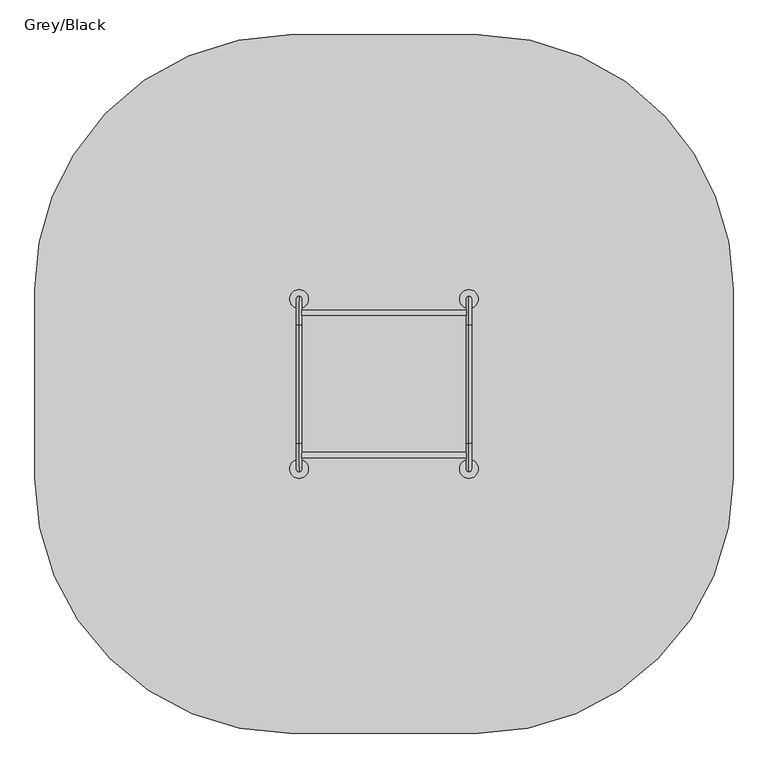
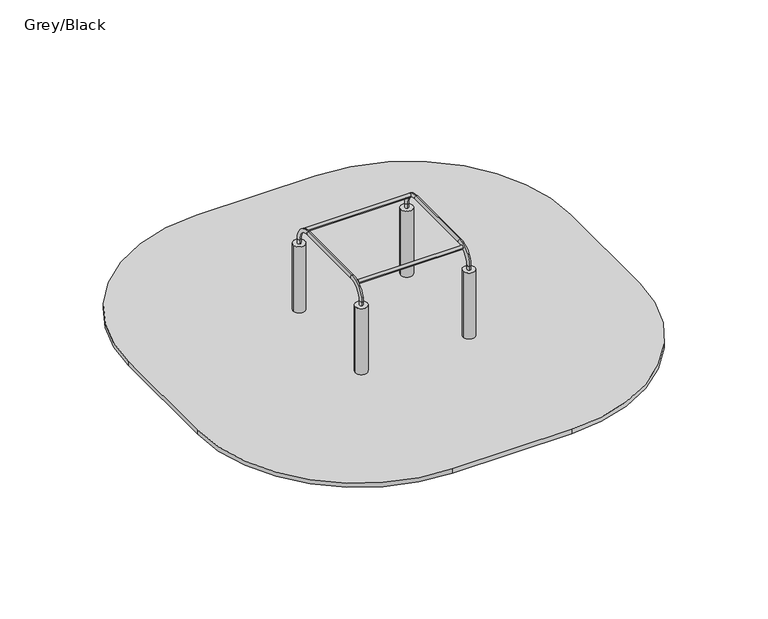
"""IFC4 building model written with IfcOpenShell, lengths in millimetres: furniture geometry, Grey/Black."""

from ifc_helpers import new_model, si_unit, point, frame, frame_2d, origin, place, context, project, spatial, polyline, circle_curve, ellipse_curve, trimmed, segment, composite_curve, outline, extrude, source, transform, mapped, element, save
from ifc_brep_helpers import plane_surface, cylinder_surface, revolved_surface, extruded_surface, advanced_brep


def grey_black_b4b6690a(model_context):
    return source(origin(), model_context, "Body", "SolidModel", [
        advanced_brep(
        [(-427.5, 1072.4599432, -224.0), (-440.0, 1072.4599432, -224.0), (-452.5, 1072.4599432, -224.0), (-512.5, 1012.4599432, -224.0), (-512.5, 987.4599432, -224.0), (-452.5, 927.4599432, -224.0), (-427.5, 927.4599432, -224.0), (-367.5, 987.4599432, -224.0), (-367.5, 1012.4599432, -224.0), (-350.0, 1150.0, -459.0), (-440.0, 1150.0, -459.0), (-530.0, 1150.0, -459.0), (-590.0, 1090.0, -459.0), (-590.0, 910.0, -459.0), (-530.0, 850.0, -459.0), (-350.0, 850.0, -459.0), (-290.0, 910.0, -459.0), (-290.0, 1090.0, -459.0), (-350.0, 1150.0, -599.0), (-290.0, 1090.0, -599.0), (-290.0, 910.0, -599.0), (-350.0, 850.0, -599.0), (-530.0, 850.0, -599.0), (-590.0, 910.0, -599.0), (-590.0, 1090.0, -599.0), (-530.0, 1150.0, -599.0), (-440.0, 1150.0, -599.0)],
        [
            (0, 1),
            (1, 2),
            (2, 3, circle_curve(frame((-452.5, 1012.4599432, -224.0), z_axis=(0.0, 0.0, 1.0), x_axis=(1.0, 0.0, 0.0)), 60.0)),
            (3, 4),
            (4, 5, circle_curve(frame((-452.5, 987.4599432, -224.0), z_axis=(0.0, 0.0, 1.0), x_axis=(1.0, 0.0, 0.0)), 60.0)),
            (5, 6),
            (6, 7, circle_curve(frame((-427.5, 987.4599432, -224.0), z_axis=(0.0, 0.0, 1.0), x_axis=(1.0, 0.0, 0.0)), 60.0)),
            (7, 8),
            (8, 0, circle_curve(frame((-427.5, 1012.4599432, -224.0), z_axis=(0.0, 0.0, 1.0), x_axis=(1.0, 0.0, 0.0)), 60.0)),
            (0, 9),
            (9, 10),
            (10, 1),
            (10, 11),
            (11, 2),
            (11, 12, circle_curve(frame((-530.0, 1090.0, -459.0), z_axis=(0.0, 0.0, 1.0), x_axis=(1.0, 0.0, 0.0)), 60.0)),
            (12, 3),
            (12, 13),
            (13, 4),
            (13, 14, circle_curve(frame((-530.0, 910.0, -459.0), z_axis=(0.0, 0.0, 1.0), x_axis=(1.0, 0.0, 0.0)), 60.0)),
            (14, 5),
            (14, 15),
            (15, 6),
            (15, 16, circle_curve(frame((-350.0, 910.0, -459.0), z_axis=(0.0, 0.0, 1.0), x_axis=(1.0, 0.0, 0.0)), 60.0)),
            (16, 7),
            (16, 17),
            (17, 8),
            (17, 9, circle_curve(frame((-350.0, 1090.0, -459.0), z_axis=(0.0, 0.0, 1.0), x_axis=(1.0, 0.0, 0.0)), 60.0)),
            (18, 19, circle_curve(frame((-350.0, 1090.0, -599.0), z_axis=(0.0, 0.0, -1.0), x_axis=(1.0, 0.0, 0.0)), 60.0)),
            (19, 20),
            (20, 21, circle_curve(frame((-350.0, 910.0, -599.0), z_axis=(0.0, 0.0, -1.0), x_axis=(1.0, 0.0, 0.0)), 60.0)),
            (21, 22),
            (22, 23, circle_curve(frame((-530.0, 910.0, -599.0), z_axis=(0.0, 0.0, -1.0), x_axis=(1.0, 0.0, 0.0)), 60.0)),
            (23, 24),
            (24, 25, circle_curve(frame((-530.0, 1090.0, -599.0), z_axis=(0.0, 0.0, -1.0), x_axis=(1.0, 0.0, 0.0)), 60.0)),
            (25, 26),
            (26, 18),
            (26, 10),
            (9, 18),
            (25, 11),
            (23, 13),
            (12, 24),
            (21, 15),
            (14, 22),
            (19, 17),
            (16, 20),
        ],
        [
            plane_surface(frame((-440.0, 1008.0154988, -224.0), z_axis=(0.0, 0.0, 1.0), x_axis=(-1.0, 0.0, 0.0))),
            plane_surface(frame((-433.75, 1072.4599432, -224.0), z_axis=(0.0, 0.9496406059136844, 0.3133412191204512), x_axis=(1.0, 0.0, 0.0))),
            plane_surface(frame((-446.25, 1072.4599432, -224.0), z_axis=(0.0, 0.9496406059136843, 0.3133412191204512), x_axis=(1.0, 0.0, 0.0))),
            extruded_surface(trimmed(circle_curve(frame((-452.5, 1012.4599432, -224.0), z_axis=(0.0, 0.0, -1.0), x_axis=(1.0, 0.0, 0.0)), 60.0), [point((-512.5, 1012.4599432, -224.0))], [point((-452.5, 1072.4599432, -224.0))], True, "CARTESIAN"), (-77.5, 77.5400568, -235.0), 259.3139225119763),
            plane_surface(frame((-512.5, 999.9599432, -224.0), z_axis=(-0.9496887635303409, 0.0, 0.31319523052596476), x_axis=(0.0, 1.0, 0.0))),
            extruded_surface(trimmed(circle_curve(frame((-452.5, 987.4599432, -224.0), z_axis=(0.0, 0.0, -1.0), x_axis=(1.0, 0.0, 0.0)), 60.0), [point((-452.5, 927.4599432, -224.0))], [point((-512.5, 987.4599432, -224.0))], True, "CARTESIAN"), (-77.5, -77.4599432, -235.0), 259.2899782107809),
            plane_surface(frame((-440.0, 927.4599432, -224.0), z_axis=(0.0, -0.9497369035840961, 0.3130492197250991), x_axis=(-1.0, 0.0, 0.0))),
            extruded_surface(trimmed(circle_curve(frame((-427.5, 987.4599432, -224.0), z_axis=(0.0, 0.0, -1.0), x_axis=(1.0, 0.0, 0.0)), 60.0), [point((-367.5, 987.4599432, -224.0))], [point((-427.5, 927.4599432, -224.0))], True, "CARTESIAN"), (77.5, -77.4599432, -235.0), 259.2899782107809),
            plane_surface(frame((-367.5, 999.9599432, -224.0), z_axis=(0.9496887635303416, 0.0, 0.3131952305259627), x_axis=(0.0, -1.0, 0.0))),
            extruded_surface(trimmed(circle_curve(frame((-427.5, 1012.4599432, -224.0), z_axis=(0.0, 0.0, -1.0), x_axis=(1.0, 0.0, 0.0)), 60.0), [point((-427.5, 1072.4599432, -224.0))], [point((-367.5, 1012.4599432, -224.0))], True, "CARTESIAN"), (77.5, 77.5400568, -235.0), 259.3139225119763),
            plane_surface(frame((-440.0, 1150.0, -599.0), z_axis=(0.0, 0.0, -1.0), x_axis=(1.0, 0.0, 0.0))),
            plane_surface(frame((-350.0, 1150.0, -459.0), z_axis=(0.0, 1.0, 0.0), x_axis=(0.0, 0.0, -1.0))),
            plane_surface(frame((-440.0, 1150.0, -459.0), z_axis=(0.0, 1.0, 0.0), x_axis=(0.0, 0.0, -1.0))),
            plane_surface(frame((-590.0, 1090.0, -459.0), z_axis=(-1.0, 0.0, 0.0), x_axis=(0.0, 0.0, -1.0))),
            plane_surface(frame((-530.0, 850.0, -459.0), z_axis=(0.0, -1.0, 0.0), x_axis=(0.0, 0.0, -1.0))),
            plane_surface(frame((-290.0, 910.0, -459.0), z_axis=(1.0, 0.0, 0.0), x_axis=(0.0, 0.0, -1.0))),
            cylinder_surface(frame((-530.0, 1090.0, -599.0), z_axis=(0.0, 0.0, 1.0), x_axis=(1.0, 0.0, 0.0)), 60.0),
            cylinder_surface(frame((-530.0, 910.0, -599.0), z_axis=(0.0, 0.0, 1.0), x_axis=(1.0, 0.0, 0.0)), 60.0),
            cylinder_surface(frame((-350.0, 910.0, -599.0), z_axis=(0.0, 0.0, 1.0), x_axis=(1.0, 0.0, 0.0)), 60.0),
            cylinder_surface(frame((-350.0, 1090.0, -599.0), z_axis=(0.0, 0.0, 1.0), x_axis=(1.0, 0.0, 0.0)), 60.0),
        ],
        [
            (0, [[1, 2, 3, 4, 5, 6, 7, 8, 9]]),
            (1, [[-1, 10, 11, 12]]),
            (2, [[-2, -12, 13, 14]]),
            (3, [[-3, -14, 15, 16]]),
            (4, [[-4, -16, 17, 18]]),
            (5, [[-5, -18, 19, 20]]),
            (6, [[-6, -20, 21, 22]]),
            (7, [[-7, -22, 23, 24]]),
            (8, [[-8, -24, 25, 26]]),
            (9, [[-9, -26, 27, -10]]),
            (10, [[28, 29, 30, 31, 32, 33, 34, 35, 36]]),
            (11, [[-36, 37, -11, 38]]),
            (12, [[-35, 39, -13, -37]]),
            (13, [[-33, 40, -17, 41]]),
            (14, [[-31, 42, -21, 43]]),
            (15, [[-29, 44, -25, 45]]),
            (16, [[-34, -41, -15, -39]]),
            (17, [[-32, -43, -19, -40]]),
            (18, [[-30, -45, -23, -42]]),
            (19, [[-28, -38, -27, -44]]),
        ],
    ),
        extrude(outline(composite_curve([segment(trimmed(circle_curve(frame_2d((-440.0, 1000.0)), 55.0), [point((-495.0, 1000.0))], [point((-385.0, 1000.0))], False, "CARTESIAN"), True, "CONTINUOUS"), segment(trimmed(circle_curve(frame_2d((-440.0, 1000.0)), 55.0), [point((-385.0, 1000.0))], [point((-495.0, 1000.0))], False, "CARTESIAN"), True, "CONTINUOUS")], self_intersect=False)), frame((0.0, 0.0, -599.0), z_axis=(0.0, 0.0, 1.0), x_axis=(1.0, 0.0, 0.0)), (0.0, 0.0, 1.0), 500.0),
        advanced_brep(
        [(572.5, 1072.4599432, -224.0), (560.0, 1072.4599432, -224.0), (547.5, 1072.4599432, -224.0), (487.5, 1012.4599432, -224.0), (487.5, 987.4599432, -224.0), (547.5, 927.4599432, -224.0), (572.5, 927.4599432, -224.0), (632.5, 987.4599432, -224.0), (632.5, 1012.4599432, -224.0), (650.0, 1150.0, -459.0), (560.0, 1150.0, -459.0), (470.0, 1150.0, -459.0), (410.0, 1090.0, -459.0), (410.0, 910.0, -459.0), (470.0, 850.0, -459.0), (650.0, 850.0, -459.0), (710.0, 910.0, -459.0), (710.0, 1090.0, -459.0), (650.0, 1150.0, -599.0), (710.0, 1090.0, -599.0), (710.0, 910.0, -599.0), (650.0, 850.0, -599.0), (470.0, 850.0, -599.0), (410.0, 910.0, -599.0), (410.0, 1090.0, -599.0), (470.0, 1150.0, -599.0), (560.0, 1150.0, -599.0)],
        [
            (0, 1),
            (1, 2),
            (2, 3, circle_curve(frame((547.5, 1012.4599432, -224.0), z_axis=(0.0, 0.0, 1.0), x_axis=(1.0, 0.0, 0.0)), 60.0)),
            (3, 4),
            (4, 5, circle_curve(frame((547.5, 987.4599432, -224.0), z_axis=(0.0, 0.0, 1.0), x_axis=(1.0, 0.0, 0.0)), 60.0)),
            (5, 6),
            (6, 7, circle_curve(frame((572.5, 987.4599432, -224.0), z_axis=(0.0, 0.0, 1.0), x_axis=(1.0, 0.0, 0.0)), 60.0)),
            (7, 8),
            (8, 0, circle_curve(frame((572.5, 1012.4599432, -224.0), z_axis=(0.0, 0.0, 1.0), x_axis=(1.0, 0.0, 0.0)), 60.0)),
            (0, 9),
            (9, 10),
            (10, 1),
            (10, 11),
            (11, 2),
            (11, 12, circle_curve(frame((470.0, 1090.0, -459.0), z_axis=(0.0, 0.0, 1.0), x_axis=(1.0, 0.0, 0.0)), 60.0)),
            (12, 3),
            (12, 13),
            (13, 4),
            (13, 14, circle_curve(frame((470.0, 910.0, -459.0), z_axis=(0.0, 0.0, 1.0), x_axis=(1.0, 0.0, 0.0)), 60.0)),
            (14, 5),
            (14, 15),
            (15, 6),
            (15, 16, circle_curve(frame((650.0, 910.0, -459.0), z_axis=(0.0, 0.0, 1.0), x_axis=(1.0, 0.0, 0.0)), 60.0)),
            (16, 7),
            (16, 17),
            (17, 8),
            (17, 9, circle_curve(frame((650.0, 1090.0, -459.0), z_axis=(0.0, 0.0, 1.0), x_axis=(1.0, 0.0, 0.0)), 60.0)),
            (18, 19, circle_curve(frame((650.0, 1090.0, -599.0), z_axis=(0.0, 0.0, -1.0), x_axis=(1.0, 0.0, 0.0)), 60.0)),
            (19, 20),
            (20, 21, circle_curve(frame((650.0, 910.0, -599.0), z_axis=(0.0, 0.0, -1.0), x_axis=(1.0, 0.0, 0.0)), 60.0)),
            (21, 22),
            (22, 23, circle_curve(frame((470.0, 910.0, -599.0), z_axis=(0.0, 0.0, -1.0), x_axis=(1.0, 0.0, 0.0)), 60.0)),
            (23, 24),
            (24, 25, circle_curve(frame((470.0, 1090.0, -599.0), z_axis=(0.0, 0.0, -1.0), x_axis=(1.0, 0.0, 0.0)), 60.0)),
            (25, 26),
            (26, 18),
            (26, 10),
            (9, 18),
            (25, 11),
            (23, 13),
            (12, 24),
            (21, 15),
            (14, 22),
            (19, 17),
            (16, 20),
        ],
        [
            plane_surface(frame((560.0, 1008.0154988, -224.0), z_axis=(0.0, 0.0, 1.0), x_axis=(-1.0, 0.0, 0.0))),
            plane_surface(frame((566.25, 1072.4599432, -224.0), z_axis=(0.0, 0.9496406059136844, 0.3133412191204512), x_axis=(1.0, 0.0, 0.0))),
            plane_surface(frame((553.75, 1072.4599432, -224.0), z_axis=(0.0, 0.9496406059136843, 0.3133412191204512), x_axis=(1.0, 0.0, 0.0))),
            extruded_surface(trimmed(circle_curve(frame((547.5, 1012.4599432, -224.0), z_axis=(0.0, 0.0, -1.0), x_axis=(1.0, 0.0, 0.0)), 60.0), [point((487.5, 1012.4599432, -224.0))], [point((547.5, 1072.4599432, -224.0))], True, "CARTESIAN"), (-77.5, 77.5400568, -235.0), 259.3139225119763),
            plane_surface(frame((487.5, 999.9599432, -224.0), z_axis=(-0.9496887635303409, 0.0, 0.31319523052596476), x_axis=(0.0, 1.0, 0.0))),
            extruded_surface(trimmed(circle_curve(frame((547.5, 987.4599432, -224.0), z_axis=(0.0, 0.0, -1.0), x_axis=(1.0, 0.0, 0.0)), 60.0), [point((547.5, 927.4599432, -224.0))], [point((487.5, 987.4599432, -224.0))], True, "CARTESIAN"), (-77.5, -77.4599432, -235.0), 259.2899782107809),
            plane_surface(frame((560.0, 927.4599432, -224.0), z_axis=(0.0, -0.9497369035840961, 0.3130492197250991), x_axis=(-1.0, 0.0, 0.0))),
            extruded_surface(trimmed(circle_curve(frame((572.5, 987.4599432, -224.0), z_axis=(0.0, 0.0, -1.0), x_axis=(1.0, 0.0, 0.0)), 60.0), [point((632.5, 987.4599432, -224.0))], [point((572.5, 927.4599432, -224.0))], True, "CARTESIAN"), (77.5, -77.4599432, -235.0), 259.2899782107809),
            plane_surface(frame((632.5, 999.9599432, -224.0), z_axis=(0.9496887635303416, 0.0, 0.3131952305259627), x_axis=(0.0, -1.0, 0.0))),
            extruded_surface(trimmed(circle_curve(frame((572.5, 1012.4599432, -224.0), z_axis=(0.0, 0.0, -1.0), x_axis=(1.0, 0.0, 0.0)), 60.0), [point((572.5, 1072.4599432, -224.0))], [point((632.5, 1012.4599432, -224.0))], True, "CARTESIAN"), (77.5, 77.5400568, -235.0), 259.3139225119763),
            plane_surface(frame((560.0, 1150.0, -599.0), z_axis=(0.0, 0.0, -1.0), x_axis=(1.0, 0.0, 0.0))),
            plane_surface(frame((650.0, 1150.0, -459.0), z_axis=(0.0, 1.0, 0.0), x_axis=(0.0, 0.0, -1.0))),
            plane_surface(frame((560.0, 1150.0, -459.0), z_axis=(0.0, 1.0, 0.0), x_axis=(0.0, 0.0, -1.0))),
            plane_surface(frame((410.0, 1090.0, -459.0), z_axis=(-1.0, 0.0, 0.0), x_axis=(0.0, 0.0, -1.0))),
            plane_surface(frame((470.0, 850.0, -459.0), z_axis=(0.0, -1.0, 0.0), x_axis=(0.0, 0.0, -1.0))),
            plane_surface(frame((710.0, 910.0, -459.0), z_axis=(1.0, 0.0, 0.0), x_axis=(0.0, 0.0, -1.0))),
            cylinder_surface(frame((470.0, 1090.0, -599.0), z_axis=(0.0, 0.0, 1.0), x_axis=(1.0, 0.0, 0.0)), 60.0),
            cylinder_surface(frame((470.0, 910.0, -599.0), z_axis=(0.0, 0.0, 1.0), x_axis=(1.0, 0.0, 0.0)), 60.0),
            cylinder_surface(frame((650.0, 910.0, -599.0), z_axis=(0.0, 0.0, 1.0), x_axis=(1.0, 0.0, 0.0)), 60.0),
            cylinder_surface(frame((650.0, 1090.0, -599.0), z_axis=(0.0, 0.0, 1.0), x_axis=(1.0, 0.0, 0.0)), 60.0),
        ],
        [
            (0, [[1, 2, 3, 4, 5, 6, 7, 8, 9]]),
            (1, [[-1, 10, 11, 12]]),
            (2, [[-2, -12, 13, 14]]),
            (3, [[-3, -14, 15, 16]]),
            (4, [[-4, -16, 17, 18]]),
            (5, [[-5, -18, 19, 20]]),
            (6, [[-6, -20, 21, 22]]),
            (7, [[-7, -22, 23, 24]]),
            (8, [[-8, -24, 25, 26]]),
            (9, [[-9, -26, 27, -10]]),
            (10, [[28, 29, 30, 31, 32, 33, 34, 35, 36]]),
            (11, [[-36, 37, -11, 38]]),
            (12, [[-35, 39, -13, -37]]),
            (13, [[-33, 40, -17, 41]]),
            (14, [[-31, 42, -21, 43]]),
            (15, [[-29, 44, -25, 45]]),
            (16, [[-34, -41, -15, -39]]),
            (17, [[-32, -43, -19, -40]]),
            (18, [[-30, -45, -23, -42]]),
            (19, [[-28, -38, -27, -44]]),
        ],
    ),
        extrude(outline(composite_curve([segment(trimmed(circle_curve(frame_2d((560.0, 1000.0)), 55.0), [point((505.0, 1000.0))], [point((615.0, 1000.0))], False, "CARTESIAN"), True, "CONTINUOUS"), segment(trimmed(circle_curve(frame_2d((560.0, 1000.0)), 55.0), [point((615.0, 1000.0))], [point((505.0, 1000.0))], False, "CARTESIAN"), True, "CONTINUOUS")], self_intersect=False)), frame((0.0, 0.0, -599.0), z_axis=(0.0, 0.0, 1.0), x_axis=(1.0, 0.0, 0.0)), (0.0, 0.0, 1.0), 500.0),
        advanced_brep(
        [(-427.5, 72.4599432, -224.0), (-440.0, 72.4599432, -224.0), (-452.5, 72.4599432, -224.0), (-512.5, 12.4599432, -224.0), (-512.5, -12.5400568, -224.0), (-452.5, -72.5400568, -224.0), (-427.5, -72.5400568, -224.0), (-367.5, -12.5400568, -224.0), (-367.5, 12.4599432, -224.0), (-350.0, 150.0, -459.0), (-440.0, 150.0, -459.0), (-530.0, 150.0, -459.0), (-590.0, 90.0, -459.0), (-590.0, -90.0, -459.0), (-530.0, -150.0, -459.0), (-350.0, -150.0, -459.0), (-290.0, -90.0, -459.0), (-290.0, 90.0, -459.0), (-350.0, 150.0, -599.0), (-290.0, 90.0, -599.0), (-290.0, -90.0, -599.0), (-350.0, -150.0, -599.0), (-530.0, -150.0, -599.0), (-590.0, -90.0, -599.0), (-590.0, 90.0, -599.0), (-530.0, 150.0, -599.0), (-440.0, 150.0, -599.0)],
        [
            (0, 1),
            (1, 2),
            (2, 3, circle_curve(frame((-452.5, 12.4599432, -224.0), z_axis=(0.0, 0.0, 1.0), x_axis=(1.0, 0.0, 0.0)), 60.0)),
            (3, 4),
            (4, 5, circle_curve(frame((-452.5, -12.5400568, -224.0), z_axis=(0.0, 0.0, 1.0), x_axis=(1.0, 0.0, 0.0)), 60.0)),
            (5, 6),
            (6, 7, circle_curve(frame((-427.5, -12.5400568, -224.0), z_axis=(0.0, 0.0, 1.0), x_axis=(1.0, 0.0, 0.0)), 60.0)),
            (7, 8),
            (8, 0, circle_curve(frame((-427.5, 12.4599432, -224.0), z_axis=(0.0, 0.0, 1.0), x_axis=(1.0, 0.0, 0.0)), 60.0)),
            (0, 9),
            (9, 10),
            (10, 1),
            (10, 11),
            (11, 2),
            (11, 12, circle_curve(frame((-530.0, 90.0, -459.0), z_axis=(0.0, 0.0, 1.0), x_axis=(1.0, 0.0, 0.0)), 60.0)),
            (12, 3),
            (12, 13),
            (13, 4),
            (13, 14, circle_curve(frame((-530.0, -90.0, -459.0), z_axis=(0.0, 0.0, 1.0), x_axis=(1.0, 0.0, 0.0)), 60.0)),
            (14, 5),
            (14, 15),
            (15, 6),
            (15, 16, circle_curve(frame((-350.0, -90.0, -459.0), z_axis=(0.0, 0.0, 1.0), x_axis=(1.0, 0.0, 0.0)), 60.0)),
            (16, 7),
            (16, 17),
            (17, 8),
            (17, 9, circle_curve(frame((-350.0, 90.0, -459.0), z_axis=(0.0, 0.0, 1.0), x_axis=(1.0, 0.0, 0.0)), 60.0)),
            (18, 19, circle_curve(frame((-350.0, 90.0, -599.0), z_axis=(0.0, 0.0, -1.0), x_axis=(1.0, 0.0, 0.0)), 60.0)),
            (19, 20),
            (20, 21, circle_curve(frame((-350.0, -90.0, -599.0), z_axis=(0.0, 0.0, -1.0), x_axis=(1.0, 0.0, 0.0)), 60.0)),
            (21, 22),
            (22, 23, circle_curve(frame((-530.0, -90.0, -599.0), z_axis=(0.0, 0.0, -1.0), x_axis=(1.0, 0.0, 0.0)), 60.0)),
            (23, 24),
            (24, 25, circle_curve(frame((-530.0, 90.0, -599.0), z_axis=(0.0, 0.0, -1.0), x_axis=(1.0, 0.0, 0.0)), 60.0)),
            (25, 26),
            (26, 18),
            (26, 10),
            (9, 18),
            (25, 11),
            (23, 13),
            (12, 24),
            (21, 15),
            (14, 22),
            (19, 17),
            (16, 20),
        ],
        [
            plane_surface(frame((-440.0, 8.0154988, -224.0), z_axis=(0.0, 0.0, 1.0), x_axis=(-1.0, 0.0, 0.0))),
            plane_surface(frame((-433.75, 72.4599432, -224.0), z_axis=(0.0, 0.9496406059136844, 0.3133412191204512), x_axis=(1.0, 0.0, 0.0))),
            plane_surface(frame((-446.25, 72.4599432, -224.0), z_axis=(0.0, 0.9496406059136843, 0.3133412191204512), x_axis=(1.0, 0.0, 0.0))),
            extruded_surface(trimmed(circle_curve(frame((-452.5, 12.4599432, -224.0), z_axis=(0.0, 0.0, -1.0), x_axis=(1.0, 0.0, 0.0)), 60.0), [point((-512.5, 12.4599432, -224.0))], [point((-452.5, 72.4599432, -224.0))], True, "CARTESIAN"), (-77.5, 77.5400568, -235.0), 259.3139225119763),
            plane_surface(frame((-512.5, -0.0400568, -224.0), z_axis=(-0.9496887635303409, 0.0, 0.31319523052596476), x_axis=(0.0, 1.0, 0.0))),
            extruded_surface(trimmed(circle_curve(frame((-452.5, -12.5400568, -224.0), z_axis=(0.0, 0.0, -1.0), x_axis=(1.0, 0.0, 0.0)), 60.0), [point((-452.5, -72.5400568, -224.0))], [point((-512.5, -12.5400568, -224.0))], True, "CARTESIAN"), (-77.5, -77.4599432, -235.0), 259.2899782107809),
            plane_surface(frame((-440.0, -72.5400568, -224.0), z_axis=(0.0, -0.9497369035840961, 0.3130492197250991), x_axis=(-1.0, 0.0, 0.0))),
            extruded_surface(trimmed(circle_curve(frame((-427.5, -12.5400568, -224.0), z_axis=(0.0, 0.0, -1.0), x_axis=(1.0, 0.0, 0.0)), 60.0), [point((-367.5, -12.5400568, -224.0))], [point((-427.5, -72.5400568, -224.0))], True, "CARTESIAN"), (77.5, -77.4599432, -235.0), 259.2899782107809),
            plane_surface(frame((-367.5, -0.0400568, -224.0), z_axis=(0.9496887635303416, 0.0, 0.3131952305259627), x_axis=(0.0, -1.0, 0.0))),
            extruded_surface(trimmed(circle_curve(frame((-427.5, 12.4599432, -224.0), z_axis=(0.0, 0.0, -1.0), x_axis=(1.0, 0.0, 0.0)), 60.0), [point((-427.5, 72.4599432, -224.0))], [point((-367.5, 12.4599432, -224.0))], True, "CARTESIAN"), (77.5, 77.5400568, -235.0), 259.3139225119763),
            plane_surface(frame((-440.0, 150.0, -599.0), z_axis=(0.0, 0.0, -1.0), x_axis=(1.0, 0.0, 0.0))),
            plane_surface(frame((-350.0, 150.0, -459.0), z_axis=(0.0, 1.0, 0.0), x_axis=(0.0, 0.0, -1.0))),
            plane_surface(frame((-440.0, 150.0, -459.0), z_axis=(0.0, 1.0, 0.0), x_axis=(0.0, 0.0, -1.0))),
            plane_surface(frame((-590.0, 90.0, -459.0), z_axis=(-1.0, 0.0, 0.0), x_axis=(0.0, 0.0, -1.0))),
            plane_surface(frame((-530.0, -150.0, -459.0), z_axis=(0.0, -1.0, 0.0), x_axis=(0.0, 0.0, -1.0))),
            plane_surface(frame((-290.0, -90.0, -459.0), z_axis=(1.0, 0.0, 0.0), x_axis=(0.0, 0.0, -1.0))),
            cylinder_surface(frame((-530.0, 90.0, -599.0), z_axis=(0.0, 0.0, 1.0), x_axis=(1.0, 0.0, 0.0)), 60.0),
            cylinder_surface(frame((-530.0, -90.0, -599.0), z_axis=(0.0, 0.0, 1.0), x_axis=(1.0, 0.0, 0.0)), 60.0),
            cylinder_surface(frame((-350.0, -90.0, -599.0), z_axis=(0.0, 0.0, 1.0), x_axis=(1.0, 0.0, 0.0)), 60.0),
            cylinder_surface(frame((-350.0, 90.0, -599.0), z_axis=(0.0, 0.0, 1.0), x_axis=(1.0, 0.0, 0.0)), 60.0),
        ],
        [
            (0, [[1, 2, 3, 4, 5, 6, 7, 8, 9]]),
            (1, [[-1, 10, 11, 12]]),
            (2, [[-2, -12, 13, 14]]),
            (3, [[-3, -14, 15, 16]]),
            (4, [[-4, -16, 17, 18]]),
            (5, [[-5, -18, 19, 20]]),
            (6, [[-6, -20, 21, 22]]),
            (7, [[-7, -22, 23, 24]]),
            (8, [[-8, -24, 25, 26]]),
            (9, [[-9, -26, 27, -10]]),
            (10, [[28, 29, 30, 31, 32, 33, 34, 35, 36]]),
            (11, [[-36, 37, -11, 38]]),
            (12, [[-35, 39, -13, -37]]),
            (13, [[-33, 40, -17, 41]]),
            (14, [[-31, 42, -21, 43]]),
            (15, [[-29, 44, -25, 45]]),
            (16, [[-34, -41, -15, -39]]),
            (17, [[-32, -43, -19, -40]]),
            (18, [[-30, -45, -23, -42]]),
            (19, [[-28, -38, -27, -44]]),
        ],
    ),
        extrude(outline(composite_curve([segment(trimmed(circle_curve(frame_2d((-440.0, 0.0)), 55.0), [point((-495.0, 0.0))], [point((-385.0, 0.0))], False, "CARTESIAN"), True, "CONTINUOUS"), segment(trimmed(circle_curve(frame_2d((-440.0, 0.0)), 55.0), [point((-385.0, 0.0))], [point((-495.0, 0.0))], False, "CARTESIAN"), True, "CONTINUOUS")], self_intersect=False)), frame((0.0, 0.0, -599.0), z_axis=(0.0, 0.0, 1.0), x_axis=(1.0, 0.0, 0.0)), (0.0, 0.0, 1.0), 500.0),
        advanced_brep(
        [(572.5, 72.4599432, -225.0), (560.0, 72.4599432, -225.0), (547.5, 72.4599432, -225.0), (487.5, 12.4599432, -225.0), (487.5, -12.5400568, -225.0), (547.5, -72.5400568, -225.0), (572.5, -72.5400568, -225.0), (632.5, -12.5400568, -225.0), (632.5, 12.4599432, -225.0), (650.0, 150.0, -460.0), (560.0, 150.0, -460.0), (470.0, 150.0, -460.0), (410.0, 90.0, -460.0), (410.0, -90.0, -460.0), (470.0, -150.0, -460.0), (650.0, -150.0, -460.0), (710.0, -90.0, -460.0), (710.0, 90.0, -460.0), (650.0, 150.0, -600.0), (710.0, 90.0, -600.0), (710.0, -90.0, -600.0), (650.0, -150.0, -600.0), (470.0, -150.0, -600.0), (410.0, -90.0, -600.0), (410.0, 90.0, -600.0), (470.0, 150.0, -600.0), (560.0, 150.0, -600.0)],
        [
            (0, 1),
            (1, 2),
            (2, 3, circle_curve(frame((547.5, 12.4599432, -225.0), z_axis=(0.0, 0.0, 1.0), x_axis=(1.0, 0.0, 0.0)), 60.0)),
            (3, 4),
            (4, 5, circle_curve(frame((547.5, -12.5400568, -225.0), z_axis=(0.0, 0.0, 1.0), x_axis=(1.0, 0.0, 0.0)), 60.0)),
            (5, 6),
            (6, 7, circle_curve(frame((572.5, -12.5400568, -225.0), z_axis=(0.0, 0.0, 1.0), x_axis=(1.0, 0.0, 0.0)), 60.0)),
            (7, 8),
            (8, 0, circle_curve(frame((572.5, 12.4599432, -225.0), z_axis=(0.0, 0.0, 1.0), x_axis=(1.0, 0.0, 0.0)), 60.0)),
            (0, 9),
            (9, 10),
            (10, 1),
            (10, 11),
            (11, 2),
            (11, 12, circle_curve(frame((470.0, 90.0, -460.0), z_axis=(0.0, 0.0, 1.0), x_axis=(1.0, 0.0, 0.0)), 60.0)),
            (12, 3),
            (12, 13),
            (13, 4),
            (13, 14, circle_curve(frame((470.0, -90.0, -460.0), z_axis=(0.0, 0.0, 1.0), x_axis=(1.0, 0.0, 0.0)), 60.0)),
            (14, 5),
            (14, 15),
            (15, 6),
            (15, 16, circle_curve(frame((650.0, -90.0, -460.0), z_axis=(0.0, 0.0, 1.0), x_axis=(1.0, 0.0, 0.0)), 60.0)),
            (16, 7),
            (16, 17),
            (17, 8),
            (17, 9, circle_curve(frame((650.0, 90.0, -460.0), z_axis=(0.0, 0.0, 1.0), x_axis=(1.0, 0.0, 0.0)), 60.0)),
            (18, 19, circle_curve(frame((650.0, 90.0, -600.0), z_axis=(0.0, 0.0, -1.0), x_axis=(1.0, 0.0, 0.0)), 60.0)),
            (19, 20),
            (20, 21, circle_curve(frame((650.0, -90.0, -600.0), z_axis=(0.0, 0.0, -1.0), x_axis=(1.0, 0.0, 0.0)), 60.0)),
            (21, 22),
            (22, 23, circle_curve(frame((470.0, -90.0, -600.0), z_axis=(0.0, 0.0, -1.0), x_axis=(1.0, 0.0, 0.0)), 60.0)),
            (23, 24),
            (24, 25, circle_curve(frame((470.0, 90.0, -600.0), z_axis=(0.0, 0.0, -1.0), x_axis=(1.0, 0.0, 0.0)), 60.0)),
            (25, 26),
            (26, 18),
            (26, 10),
            (9, 18),
            (25, 11),
            (23, 13),
            (12, 24),
            (21, 15),
            (14, 22),
            (19, 17),
            (16, 20),
        ],
        [
            plane_surface(frame((560.0, 8.0154988, -225.0), z_axis=(0.0, 0.0, 1.0), x_axis=(-1.0, 0.0, 0.0))),
            plane_surface(frame((566.25, 72.4599432, -225.0), z_axis=(0.0, 0.9496406059136844, 0.3133412191204512), x_axis=(1.0, 0.0, 0.0))),
            plane_surface(frame((553.75, 72.4599432, -225.0), z_axis=(0.0, 0.9496406059136843, 0.3133412191204512), x_axis=(1.0, 0.0, 0.0))),
            extruded_surface(trimmed(circle_curve(frame((547.5, 12.4599432, -225.0), z_axis=(0.0, 0.0, -1.0), x_axis=(1.0, 0.0, 0.0)), 60.0), [point((487.5, 12.4599432, -225.0))], [point((547.5, 72.4599432, -225.0))], True, "CARTESIAN"), (-77.5, 77.5400568, -235.0), 259.3139225119763),
            plane_surface(frame((487.5, -0.0400568, -225.0), z_axis=(-0.9496887635303409, 0.0, 0.31319523052596476), x_axis=(0.0, 1.0, 0.0))),
            extruded_surface(trimmed(circle_curve(frame((547.5, -12.5400568, -225.0), z_axis=(0.0, 0.0, -1.0), x_axis=(1.0, 0.0, 0.0)), 60.0), [point((547.5, -72.5400568, -225.0))], [point((487.5, -12.5400568, -225.0))], True, "CARTESIAN"), (-77.5, -77.4599432, -235.0), 259.2899782107809),
            plane_surface(frame((560.0, -72.5400568, -225.0), z_axis=(0.0, -0.9497369035840961, 0.3130492197250991), x_axis=(-1.0, 0.0, 0.0))),
            extruded_surface(trimmed(circle_curve(frame((572.5, -12.5400568, -225.0), z_axis=(0.0, 0.0, -1.0), x_axis=(1.0, 0.0, 0.0)), 60.0), [point((632.5, -12.5400568, -225.0))], [point((572.5, -72.5400568, -225.0))], True, "CARTESIAN"), (77.5, -77.4599432, -235.0), 259.2899782107809),
            plane_surface(frame((632.5, -0.0400568, -225.0), z_axis=(0.9496887635303416, 0.0, 0.3131952305259627), x_axis=(0.0, -1.0, 0.0))),
            extruded_surface(trimmed(circle_curve(frame((572.5, 12.4599432, -225.0), z_axis=(0.0, 0.0, -1.0), x_axis=(1.0, 0.0, 0.0)), 60.0), [point((572.5, 72.4599432, -225.0))], [point((632.5, 12.4599432, -225.0))], True, "CARTESIAN"), (77.5, 77.5400568, -235.0), 259.3139225119763),
            plane_surface(frame((560.0, 150.0, -600.0), z_axis=(0.0, 0.0, -1.0), x_axis=(1.0, 0.0, 0.0))),
            plane_surface(frame((650.0, 150.0, -460.0), z_axis=(0.0, 1.0, 0.0), x_axis=(0.0, 0.0, -1.0))),
            plane_surface(frame((560.0, 150.0, -460.0), z_axis=(0.0, 1.0, 0.0), x_axis=(0.0, 0.0, -1.0))),
            plane_surface(frame((410.0, 90.0, -460.0), z_axis=(-1.0, 0.0, 0.0), x_axis=(0.0, 0.0, -1.0))),
            plane_surface(frame((470.0, -150.0, -460.0), z_axis=(0.0, -1.0, 0.0), x_axis=(0.0, 0.0, -1.0))),
            plane_surface(frame((710.0, -90.0, -460.0), z_axis=(1.0, 0.0, 0.0), x_axis=(0.0, 0.0, -1.0))),
            cylinder_surface(frame((470.0, 90.0, -600.0), z_axis=(0.0, 0.0, 1.0), x_axis=(1.0, 0.0, 0.0)), 60.0),
            cylinder_surface(frame((470.0, -90.0, -600.0), z_axis=(0.0, 0.0, 1.0), x_axis=(1.0, 0.0, 0.0)), 60.0),
            cylinder_surface(frame((650.0, -90.0, -600.0), z_axis=(0.0, 0.0, 1.0), x_axis=(1.0, 0.0, 0.0)), 60.0),
            cylinder_surface(frame((650.0, 90.0, -600.0), z_axis=(0.0, 0.0, 1.0), x_axis=(1.0, 0.0, 0.0)), 60.0),
        ],
        [
            (0, [[1, 2, 3, 4, 5, 6, 7, 8, 9]]),
            (1, [[-1, 10, 11, 12]]),
            (2, [[-2, -12, 13, 14]]),
            (3, [[-3, -14, 15, 16]]),
            (4, [[-4, -16, 17, 18]]),
            (5, [[-5, -18, 19, 20]]),
            (6, [[-6, -20, 21, 22]]),
            (7, [[-7, -22, 23, 24]]),
            (8, [[-8, -24, 25, 26]]),
            (9, [[-9, -26, 27, -10]]),
            (10, [[28, 29, 30, 31, 32, 33, 34, 35, 36]]),
            (11, [[-36, 37, -11, 38]]),
            (12, [[-35, 39, -13, -37]]),
            (13, [[-33, 40, -17, 41]]),
            (14, [[-31, 42, -21, 43]]),
            (15, [[-29, 44, -25, 45]]),
            (16, [[-34, -41, -15, -39]]),
            (17, [[-32, -43, -19, -40]]),
            (18, [[-30, -45, -23, -42]]),
            (19, [[-28, -38, -27, -44]]),
        ],
    ),
        extrude(outline(composite_curve([segment(trimmed(circle_curve(frame_2d((560.0, 0.0)), 55.0), [point((505.0, 0.0))], [point((615.0, 0.0))], False, "CARTESIAN"), True, "CONTINUOUS"), segment(trimmed(circle_curve(frame_2d((560.0, 0.0)), 55.0), [point((615.0, 0.0))], [point((505.0, 0.0))], False, "CARTESIAN"), True, "CONTINUOUS")], self_intersect=False)), frame((0.0, 0.0, -600.0), z_axis=(0.0, 0.0, 1.0), x_axis=(1.0, 0.0, 0.0)), (0.0, 0.0, 1.0), 500.0),
        extrude(outline(composite_curve([segment(trimmed(circle_curve(frame_2d((919.4884908, 822.9403929)), 16.0), [point((903.4884908, 822.9403929))], [point((935.4884908, 822.9403929))], False, "CARTESIAN"), True, "CONTINUOUS"), segment(trimmed(circle_curve(frame_2d((919.4884908, 822.9403929)), 16.0), [point((935.4884908, 822.9403929))], [point((903.4884908, 822.9403929))], False, "CARTESIAN"), True, "CONTINUOUS")], self_intersect=False)), frame((-423.9988702, 0.0, 0.0), z_axis=(1.0, 0.0, 0.0), x_axis=(0.0, 1.0, 0.0)), (0.0, 0.0, 1.0), 967.9976305),
        extrude(outline(composite_curve([segment(trimmed(circle_curve(frame_2d((81.0, 822.9403929)), 16.0), [point((65.0, 822.9403929))], [point((97.0, 822.9403929))], False, "CARTESIAN"), True, "CONTINUOUS"), segment(trimmed(circle_curve(frame_2d((81.0, 822.9403929)), 16.0), [point((97.0, 822.9403929))], [point((65.0, 822.9403929))], False, "CARTESIAN"), True, "CONTINUOUS")], self_intersect=False)), frame((-423.9988702, 0.0, 0.0), z_axis=(1.0, 0.0, 0.0), x_axis=(0.0, 1.0, 0.0)), (0.0, 0.0, 1.0), 967.9976305),
        advanced_brep(
        [(560.0, 1016.0, 650.0), (560.0, 984.0, 650.0), (560.0, 1016.0, 690.0), (560.0, 984.0, 690.0), (560.0, 850.0, 824.0), (560.0, 850.0, 856.0), (560.0, 150.0, 856.0), (560.0, 150.0, 824.0), (560.0, 16.0, 690.0), (560.0, -16.0, 690.0), (560.0, -16.0, 650.0), (560.0, 16.0, 650.0)],
        [
            (0, 1, circle_curve(frame((560.0, 1000.0, 650.0), z_axis=(0.0, 0.0, -1.0), x_axis=(0.0, -1.0, 0.0)), 16.0)),
            (1, 0, circle_curve(frame((560.0, 1000.0, 650.0), z_axis=(0.0, 0.0, -1.0), x_axis=(0.0, -1.0, 0.0)), 16.0)),
            (0, 2),
            (2, 3, circle_curve(frame((560.0, 1000.0, 690.0), z_axis=(0.0, 0.0, -1.0), x_axis=(0.0, -1.0, 0.0)), 16.0)),
            (3, 1),
            (3, 2, circle_curve(frame((560.0, 1000.0, 690.0), z_axis=(0.0, 0.0, -1.0), x_axis=(0.0, -1.0, 0.0)), 16.0)),
            (4, 3, circle_curve(frame((560.0, 850.0, 690.0), z_axis=(-1.0, 0.0, 0.0), x_axis=(0.0, 1.0, 0.0)), 134.0)),
            (2, 5, circle_curve(frame((560.0, 850.0, 690.0), z_axis=(1.0, 0.0, 0.0), x_axis=(0.0, 1.0, 0.0)), 166.0)),
            (5, 4, circle_curve(frame((560.0, 850.0, 840.0), z_axis=(0.0, 1.0, 0.0), x_axis=(0.0, 0.0, -1.0)), 16.0)),
            (4, 5, circle_curve(frame((560.0, 850.0, 840.0), z_axis=(0.0, 1.0, 0.0), x_axis=(0.0, 0.0, -1.0)), 16.0)),
            (5, 6),
            (6, 7, circle_curve(frame((560.0, 150.0, 840.0), z_axis=(0.0, 1.0, 0.0), x_axis=(0.0, 0.0, -1.0)), 16.0)),
            (7, 4),
            (7, 6, circle_curve(frame((560.0, 150.0, 840.0), z_axis=(0.0, 1.0, 0.0), x_axis=(0.0, 0.0, -1.0)), 16.0)),
            (8, 7, circle_curve(frame((560.0, 150.0, 690.0), z_axis=(-1.0, 0.0, 0.0), x_axis=(0.0, 0.0, 1.0)), 134.0)),
            (6, 9, circle_curve(frame((560.0, 150.0, 690.0), z_axis=(1.0, 0.0, 0.0), x_axis=(0.0, 0.0, 1.0)), 166.0)),
            (9, 8, circle_curve(frame((560.0, 0.0, 690.0), z_axis=(0.0, 0.0, 1.0), x_axis=(0.0, 1.0, 0.0)), 16.0)),
            (8, 9, circle_curve(frame((560.0, 0.0, 690.0), z_axis=(0.0, 0.0, 1.0), x_axis=(0.0, 1.0, 0.0)), 16.0)),
            (10, 11, circle_curve(frame((560.0, 0.0, 650.0), z_axis=(0.0, 0.0, -1.0), x_axis=(0.0, 1.0, 0.0)), 16.0)),
            (11, 10, circle_curve(frame((560.0, 0.0, 650.0), z_axis=(0.0, 0.0, -1.0), x_axis=(0.0, 1.0, 0.0)), 16.0)),
            (9, 10),
            (11, 8),
        ],
        [
            plane_surface(frame((560.0, 1000.0, 650.0), z_axis=(0.0, 0.0, -1.0), x_axis=(1.0, 0.0, 0.0))),
            cylinder_surface(frame((560.0, 1000.0, 650.0), z_axis=(0.0, 0.0, -1.0), x_axis=(0.0, -1.0, 0.0)), 16.0),
            revolved_surface(trimmed(ellipse_curve(frame((560.0, 1000.0, 690.0), z_axis=(0.0, 0.0, -1.0), x_axis=(0.0, -1.0, 0.0)), 16.0, 16.0), [point((560.0, 1016.0, 690.0))], [point((560.0, 984.0, 690.0))], True, "CARTESIAN"), (560.0, 850.0, 690.0), (1.0, 0.0, 0.0)),
            revolved_surface(trimmed(ellipse_curve(frame((560.0, 1000.0, 690.0), z_axis=(0.0, 0.0, -1.0), x_axis=(0.0, -1.0, 0.0)), 16.0, 16.0), [point((560.0, 984.0, 690.0))], [point((560.0, 1016.0, 690.0))], True, "CARTESIAN"), (560.0, 850.0, 690.0), (1.0, 0.0, 0.0)),
            cylinder_surface(frame((560.0, 850.0, 840.0), z_axis=(0.0, 1.0, 0.0), x_axis=(0.0, 0.0, -1.0)), 16.0),
            revolved_surface(trimmed(ellipse_curve(frame((560.0, 150.0, 840.0), z_axis=(0.0, 1.0, 0.0), x_axis=(0.0, 0.0, -1.0)), 16.0, 16.0), [point((560.0, 150.0, 856.0))], [point((560.0, 150.0, 824.0))], True, "CARTESIAN"), (560.0, 150.0, 690.0), (1.0, 0.0, 0.0)),
            revolved_surface(trimmed(ellipse_curve(frame((560.0, 150.0, 840.0), z_axis=(0.0, 1.0, 0.0), x_axis=(0.0, 0.0, -1.0)), 16.0, 16.0), [point((560.0, 150.0, 824.0))], [point((560.0, 150.0, 856.0))], True, "CARTESIAN"), (560.0, 150.0, 690.0), (1.0, 0.0, 0.0)),
            plane_surface(frame((560.0, 0.0, 650.0), z_axis=(0.0, 0.0, -1.0), x_axis=(1.0, 0.0, 0.0))),
            cylinder_surface(frame((560.0, 0.0, 690.0), z_axis=(0.0, 0.0, 1.0), x_axis=(0.0, 1.0, 0.0)), 16.0),
        ],
        [
            (0, [[1, 2]]),
            (1, [[-1, 3, 4, 5]]),
            (1, [[-2, -5, 6, -3]]),
            (2, [[7, -4, 8, 9]]),
            (3, [[-8, -6, -7, 10]]),
            (4, [[-9, 11, 12, 13]]),
            (4, [[-10, -13, 14, -11]]),
            (5, [[15, -12, 16, 17]]),
            (6, [[-16, -14, -15, 18]]),
            (7, [[19, 20]]),
            (8, [[-17, 21, -20, 22]]),
            (8, [[-18, -22, -19, -21]]),
        ],
    ),
        advanced_brep(
        [(-440.0, 1016.0, 650.0), (-440.0, 984.0, 650.0), (-440.0, 1016.0, 690.0), (-440.0, 984.0, 690.0), (-440.0, 850.0, 824.0), (-440.0, 850.0, 856.0), (-440.0, 150.0, 856.0), (-440.0, 150.0, 824.0), (-440.0, 16.0, 690.0), (-440.0, -16.0, 690.0), (-440.0, -16.0, 650.0), (-440.0, 16.0, 650.0)],
        [
            (0, 1, circle_curve(frame((-440.0, 1000.0, 650.0), z_axis=(0.0, 0.0, -1.0), x_axis=(0.0, -1.0, 0.0)), 16.0)),
            (1, 0, circle_curve(frame((-440.0, 1000.0, 650.0), z_axis=(0.0, 0.0, -1.0), x_axis=(0.0, -1.0, 0.0)), 16.0)),
            (0, 2),
            (2, 3, circle_curve(frame((-440.0, 1000.0, 690.0), z_axis=(0.0, 0.0, -1.0), x_axis=(0.0, -1.0, 0.0)), 16.0)),
            (3, 1),
            (3, 2, circle_curve(frame((-440.0, 1000.0, 690.0), z_axis=(0.0, 0.0, -1.0), x_axis=(0.0, -1.0, 0.0)), 16.0)),
            (4, 3, circle_curve(frame((-440.0, 850.0, 690.0), z_axis=(-1.0, 0.0, 0.0), x_axis=(0.0, 1.0, 0.0)), 134.0)),
            (2, 5, circle_curve(frame((-440.0, 850.0, 690.0), z_axis=(1.0, 0.0, 0.0), x_axis=(0.0, 1.0, 0.0)), 166.0)),
            (5, 4, circle_curve(frame((-440.0, 850.0, 840.0), z_axis=(0.0, 1.0, 0.0), x_axis=(0.0, 0.0, -1.0)), 16.0)),
            (4, 5, circle_curve(frame((-440.0, 850.0, 840.0), z_axis=(0.0, 1.0, 0.0), x_axis=(0.0, 0.0, -1.0)), 16.0)),
            (5, 6),
            (6, 7, circle_curve(frame((-440.0, 150.0, 840.0), z_axis=(0.0, 1.0, 0.0), x_axis=(0.0, 0.0, -1.0)), 16.0)),
            (7, 4),
            (7, 6, circle_curve(frame((-440.0, 150.0, 840.0), z_axis=(0.0, 1.0, 0.0), x_axis=(0.0, 0.0, -1.0)), 16.0)),
            (8, 7, circle_curve(frame((-440.0, 150.0, 690.0), z_axis=(-1.0, 0.0, 0.0), x_axis=(0.0, 0.0, 1.0)), 134.0)),
            (6, 9, circle_curve(frame((-440.0, 150.0, 690.0), z_axis=(1.0, 0.0, 0.0), x_axis=(0.0, 0.0, 1.0)), 166.0)),
            (9, 8, circle_curve(frame((-440.0, 0.0, 690.0), z_axis=(0.0, 0.0, 1.0), x_axis=(0.0, 1.0, 0.0)), 16.0)),
            (8, 9, circle_curve(frame((-440.0, 0.0, 690.0), z_axis=(0.0, 0.0, 1.0), x_axis=(0.0, 1.0, 0.0)), 16.0)),
            (10, 11, circle_curve(frame((-440.0, 0.0, 650.0), z_axis=(0.0, 0.0, -1.0), x_axis=(0.0, 1.0, 0.0)), 16.0)),
            (11, 10, circle_curve(frame((-440.0, 0.0, 650.0), z_axis=(0.0, 0.0, -1.0), x_axis=(0.0, 1.0, 0.0)), 16.0)),
            (9, 10),
            (11, 8),
        ],
        [
            plane_surface(frame((-440.0, 1000.0, 650.0), z_axis=(0.0, 0.0, -1.0), x_axis=(1.0, 0.0, 0.0))),
            cylinder_surface(frame((-440.0, 1000.0, 650.0), z_axis=(0.0, 0.0, -1.0), x_axis=(0.0, -1.0, 0.0)), 16.0),
            revolved_surface(trimmed(ellipse_curve(frame((-440.0, 1000.0, 690.0), z_axis=(0.0, 0.0, -1.0), x_axis=(0.0, -1.0, 0.0)), 16.0, 16.0), [point((-440.0, 1016.0, 690.0))], [point((-440.0, 984.0, 690.0))], True, "CARTESIAN"), (-440.0, 850.0, 690.0), (1.0, 0.0, 0.0)),
            revolved_surface(trimmed(ellipse_curve(frame((-440.0, 1000.0, 690.0), z_axis=(0.0, 0.0, -1.0), x_axis=(0.0, -1.0, 0.0)), 16.0, 16.0), [point((-440.0, 984.0, 690.0))], [point((-440.0, 1016.0, 690.0))], True, "CARTESIAN"), (-440.0, 850.0, 690.0), (1.0, 0.0, 0.0)),
            cylinder_surface(frame((-440.0, 850.0, 840.0), z_axis=(0.0, 1.0, 0.0), x_axis=(0.0, 0.0, -1.0)), 16.0),
            revolved_surface(trimmed(ellipse_curve(frame((-440.0, 150.0, 840.0), z_axis=(0.0, 1.0, 0.0), x_axis=(0.0, 0.0, -1.0)), 16.0, 16.0), [point((-440.0, 150.0, 856.0))], [point((-440.0, 150.0, 824.0))], True, "CARTESIAN"), (-440.0, 150.0, 690.0), (1.0, 0.0, 0.0)),
            revolved_surface(trimmed(ellipse_curve(frame((-440.0, 150.0, 840.0), z_axis=(0.0, 1.0, 0.0), x_axis=(0.0, 0.0, -1.0)), 16.0, 16.0), [point((-440.0, 150.0, 824.0))], [point((-440.0, 150.0, 856.0))], True, "CARTESIAN"), (-440.0, 150.0, 690.0), (1.0, 0.0, 0.0)),
            plane_surface(frame((-440.0, 0.0, 650.0), z_axis=(0.0, 0.0, -1.0), x_axis=(1.0, 0.0, 0.0))),
            cylinder_surface(frame((-440.0, 0.0, 690.0), z_axis=(0.0, 0.0, 1.0), x_axis=(0.0, 1.0, 0.0)), 16.0),
        ],
        [
            (0, [[1, 2]]),
            (1, [[-1, 3, 4, 5]]),
            (1, [[-2, -5, 6, -3]]),
            (2, [[7, -4, 8, 9]]),
            (3, [[-8, -6, -7, 10]]),
            (4, [[-9, 11, 12, 13]]),
            (4, [[-10, -13, 14, -11]]),
            (5, [[15, -12, 16, 17]]),
            (6, [[-16, -14, -15, 18]]),
            (7, [[19, 20]]),
            (8, [[-17, 21, -20, 22]]),
            (8, [[-18, -22, -19, -21]]),
        ],
    ),
        extrude(outline(composite_curve([segment(trimmed(circle_curve(frame_2d((615.0, 1055.0)), 1500.0), [point((615.0, 2555.0))], [point((1715.2325264, 2074.5530333))], False, "CARTESIAN"), True, "CONTINUOUS"), segment(trimmed(circle_curve(frame_2d((615.0, 1055.0)), 1500.0), [point((1715.2325264, 2074.5530333))], [point((2115.0, 1055.0))], False, "CARTESIAN"), True, "CONTINUOUS"), segment(polyline([(2115.0, 1055.0), (2115.0, -55.0)]), True, "CONTINUOUS"), segment(trimmed(circle_curve(frame_2d((615.0, -55.0)), 1500.0), [point((2115.0, -55.0))], [point((615.0, -1555.0))], False, "CARTESIAN"), True, "CONTINUOUS"), segment(polyline([(615.0, -1555.0), (-495.0, -1555.0)]), True, "CONTINUOUS"), segment(trimmed(circle_curve(frame_2d((-495.0, -55.0)), 1500.0), [point((-495.0, -1555.0))], [point((-1995.0, -55.0))], False, "CARTESIAN"), True, "CONTINUOUS"), segment(polyline([(-1995.0, -55.0), (-1995.0, 1055.0)]), True, "CONTINUOUS"), segment(trimmed(circle_curve(frame_2d((-495.0, 1055.0)), 1500.0), [point((-1995.0, 1055.0))], [point((-1766.397934, 1850.9568415))], False, "CARTESIAN"), True, "CONTINUOUS"), segment(trimmed(circle_curve(frame_2d((-495.0, 1055.0)), 1500.0), [point((-1766.397934, 1850.9568415))], [point((-495.0, 2555.0))], False, "CARTESIAN"), True, "CONTINUOUS"), segment(polyline([(-495.0, 2555.0), (615.0, 2555.0)]), True, "CONTINUOUS")], self_intersect=False)), frame((0.0, 0.0, -40.0), z_axis=(0.0, 0.0, 1.0), x_axis=(1.0, 0.0, 0.0)), (0.0, 0.0, 1.0), 41.0),
        extrude(outline(composite_curve([segment(trimmed(circle_curve(frame_2d((-440.0, 0.0)), 55.0), [point((-495.0, 0.0))], [point((-385.0, 0.0))], False, "CARTESIAN"), True, "CONTINUOUS"), segment(trimmed(circle_curve(frame_2d((-440.0, 0.0)), 55.0), [point((-385.0, 0.0))], [point((-495.0, 0.0))], False, "CARTESIAN"), True, "CONTINUOUS")], self_intersect=False)), frame((0.0, 0.0, -100.0), z_axis=(0.0, 0.0, 1.0), x_axis=(1.0, 0.0, 0.0)), (0.0, 0.0, 1.0), 750.0),
        extrude(outline(composite_curve([segment(trimmed(circle_curve(frame_2d((560.0, 0.0)), 55.0), [point((505.0, 0.0))], [point((615.0, 0.0))], False, "CARTESIAN"), True, "CONTINUOUS"), segment(trimmed(circle_curve(frame_2d((560.0, 0.0)), 55.0), [point((615.0, 0.0))], [point((505.0, 0.0))], False, "CARTESIAN"), True, "CONTINUOUS")], self_intersect=False)), frame((0.0, 0.0, -100.0), z_axis=(0.0, 0.0, 1.0), x_axis=(1.0, 0.0, 0.0)), (0.0, 0.0, 1.0), 750.0),
        extrude(outline(composite_curve([segment(trimmed(circle_curve(frame_2d((560.0, 1000.0)), 55.0), [point((505.0, 1000.0))], [point((615.0, 1000.0))], False, "CARTESIAN"), True, "CONTINUOUS"), segment(trimmed(circle_curve(frame_2d((560.0, 1000.0)), 55.0), [point((615.0, 1000.0))], [point((505.0, 1000.0))], False, "CARTESIAN"), True, "CONTINUOUS")], self_intersect=False)), frame((0.0, 0.0, -100.0), z_axis=(0.0, 0.0, 1.0), x_axis=(1.0, 0.0, 0.0)), (0.0, 0.0, 1.0), 750.0),
        extrude(outline(composite_curve([segment(trimmed(circle_curve(frame_2d((-440.0, 1000.0)), 55.0), [point((-495.0, 1000.0))], [point((-385.0, 1000.0))], False, "CARTESIAN"), True, "CONTINUOUS"), segment(trimmed(circle_curve(frame_2d((-440.0, 1000.0)), 55.0), [point((-385.0, 1000.0))], [point((-495.0, 1000.0))], False, "CARTESIAN"), True, "CONTINUOUS")], self_intersect=False)), frame((0.0, 0.0, -100.0), z_axis=(0.0, 0.0, 1.0), x_axis=(1.0, 0.0, 0.0)), (0.0, 0.0, 1.0), 750.0),
    ])


if __name__ == "__main__":
    model = new_model("IFC4")
    model_context = context("Model", 3, world=origin())
    ifc_project = project(units=[si_unit("LENGTHUNIT", "METRE", prefix="MILLI")], contexts=[model_context])
    site = spatial("IfcSite", under=ifc_project)
    building = spatial("IfcBuilding", under=site)
    placement = place(None, origin())
    grey_black_shape = grey_black_b4b6690a(model_context)
    element("IfcFurniture", 1, ObjectType="Grey/Black", at=placement, inside=building, context=model_context, shape_type="MappedRepresentation", body=[
        mapped(grey_black_shape, transform((0.0, 0.0, 0.0), x_axis=(1.0, 0.0, 0.0), y_axis=(0.0, 1.0, 0.0), z_axis=(0.0, 0.0, 1.0))),
    ])
    save(model, "model.ifc")
